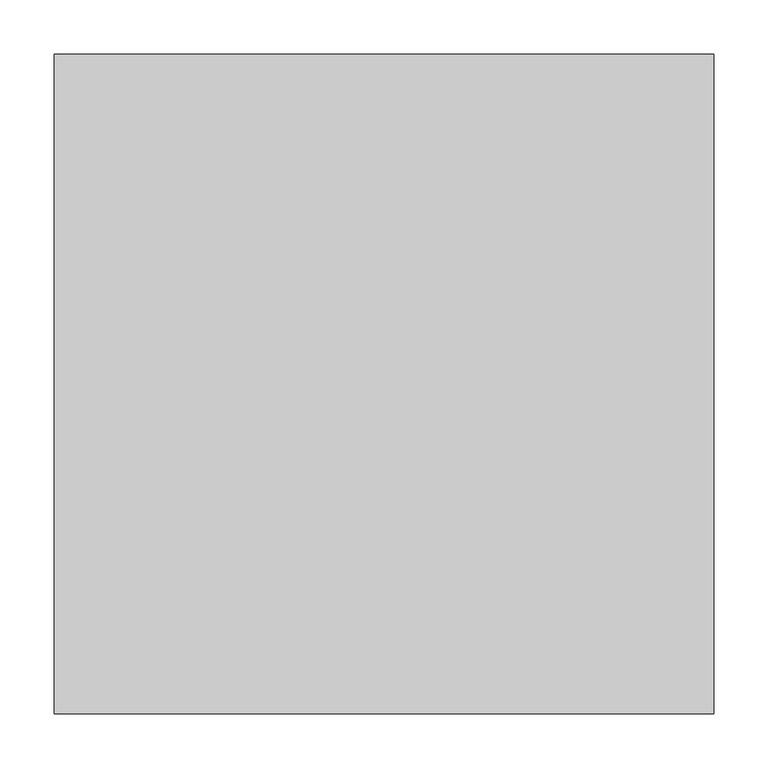
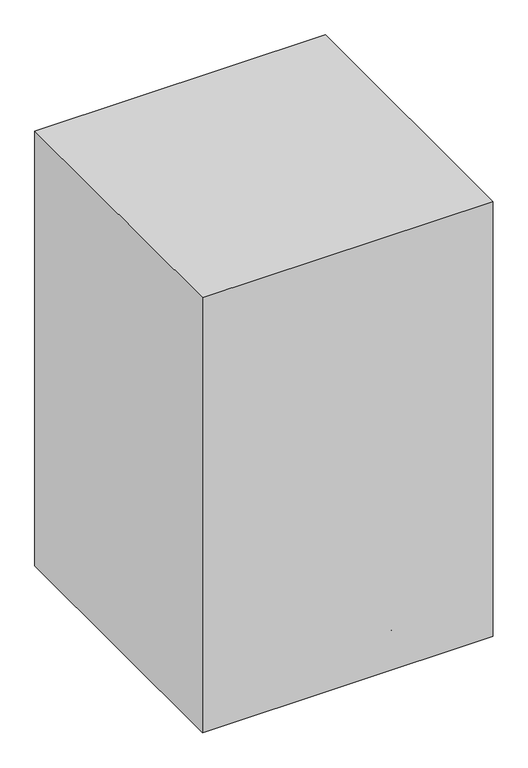
"""IFC4 building model written with IfcOpenShell, lengths in millimetres: proxy geometry."""

from ifc_helpers import new_model, si_unit, point, frame, frame_2d, origin, origin_with_axes, origin_2d, place, context, project, spatial, polyline, circle_curve, trimmed, segment, composite_curve, outline, extrude, source, transform, mapped, element, save


def specialty_equipment_6f838b8f(model_context):
    return source(origin(), model_context, "Body", "SweptSolid", [
        extrude(outline(composite_curve([segment(trimmed(circle_curve(frame_2d((0.0, -25.7612183)), 25.7612183), [point((0.0, -51.5224365))], [point((0.0, 0.0))], False, "CARTESIAN"), True, "CONTINUOUS"), segment(trimmed(circle_curve(frame_2d((0.0, -25.7612183)), 25.7612183), [point((0.0, 0.0))], [point((0.0, -51.5224365))], False, "CARTESIAN"), True, "CONTINUOUS")], self_intersect=False)), frame((203.8559823, 49.544861, 25.7612183), z_axis=(-0.3090169943748919, 0.9510565162951716, 0.0), x_axis=(0.0, 0.0, -1.0)), (0.0, 0.0, 1.0), 31.75),
        extrude(outline(composite_curve([segment(polyline([(-57.1058784, 0.0), (-0.678315, 0.0)]), True, "CONTINUOUS"), segment(trimmed(circle_curve(frame_2d((-28.8920968, 0.0)), 28.2137817), [point((-0.678315, 0.0))], [point((-57.1058784, 0.0))], False, "CARTESIAN"), True, "CONTINUOUS")], self_intersect=False)), frame((256.8155026, 63.4140597, 25.7612183), z_axis=(-0.30901699437489183, 0.9510565162951716, 0.0), x_axis=(0.9510565162951716, 0.30901699437489183, 0.0)), (0.0, 0.0, 1.0), 38.1),
        extrude(outline(composite_curve([segment(trimmed(circle_curve(frame_2d((223.4509477, 72.6028121)), 3.5091751), [point((222.3665529, 75.940236))], [point((224.5353424, 69.2653883))], False, "CARTESIAN"), True, "CONTINUOUS"), segment(trimmed(circle_curve(frame_2d((223.4509477, 72.6028121)), 3.5091751), [point((224.5353424, 69.2653883))], [point((222.3665529, 75.940236))], False, "CARTESIAN"), True, "CONTINUOUS")], self_intersect=False)), frame((0.0, 0.0, 53.975), z_axis=(0.0, 0.0, 1.0), x_axis=(1.0, 0.0, 0.0)), (0.0, 0.0, 1.0), 13.49375),
        extrude(outline(polyline([(230.0293313, 68.0638809), (25.3978935, 1.5750963), (21.4736172, 13.6527769), (226.105055, 80.1415615), (230.0293313, 68.0638809)])), frame((0.0, 0.0, 67.46875), z_axis=(0.0, 0.0, 1.0), x_axis=(1.0, 0.0, 0.0)), (0.0, 0.0, 1.0), 50.8),
        extrude(outline(composite_curve([segment(trimmed(circle_curve(frame_2d((0.0, -25.7612182)), 25.7612183), [point((0.0, -51.5224365))], [point((0.0, 0.0))], False, "CARTESIAN"), True, "CONTINUOUS"), segment(trimmed(circle_curve(frame_2d((0.0, -25.7612182)), 25.7612183), [point((0.0, 0.0))], [point((0.0, -51.5224365))], False, "CARTESIAN"), True, "CONTINUOUS")], self_intersect=False)), frame((110.1149259, -178.5683563, 25.7612183), z_axis=(0.8090169943749846, 0.5877852522924221, 0.0), x_axis=(0.0, 0.0, -1.0)), (0.0, 0.0, 1.0), 31.75),
        extrude(outline(composite_curve([segment(polyline([(-57.1058785, 0.0), (-0.6783149, 0.0)]), True, "CONTINUOUS"), segment(trimmed(circle_curve(frame_2d((-28.8920966, 0.0)), 28.2137817), [point((-0.6783149, 0.0))], [point((-57.1058785, 0.0))], False, "CARTESIAN"), True, "CONTINUOUS")], self_intersect=False)), frame((139.6707094, -224.6500351, 25.7612183), z_axis=(0.8090169943749845, 0.5877852522924222, 0.0), x_axis=(0.5877852522924222, -0.8090169943749845, 0.0)), (0.0, 0.0, 1.0), 38.1),
        extrude(outline(composite_curve([segment(trimmed(circle_curve(frame_2d((138.0995178, -190.0789771)), 3.5091751), [point((140.9385001, -188.0163357))], [point((135.2605355, -192.1416185))], False, "CARTESIAN"), True, "CONTINUOUS"), segment(trimmed(circle_curve(frame_2d((138.0995178, -190.0789771)), 3.5091751), [point((135.2605355, -192.1416185))], [point((140.9385001, -188.0163357))], False, "CARTESIAN"), True, "CONTINUOUS")], self_intersect=False)), frame((0.0, 0.0, 53.975), z_axis=(0.0, 0.0, 1.0), x_axis=(1.0, 0.0, 0.0)), (0.0, 0.0, 1.0), 13.49375),
        extrude(outline(polyline([(135.81557, -197.7379985), (9.3463863, -23.6681006), (19.620275, -16.2036835), (146.0894588, -190.2735815), (135.81557, -197.7379985)])), frame((0.0, 0.0, 67.46875), z_axis=(0.0, 0.0, 1.0), x_axis=(1.0, 0.0, 0.0)), (0.0, 0.0, 1.0), 50.8),
        extrude(outline(composite_curve([segment(trimmed(circle_curve(frame_2d((0.0, -25.7612182)), 25.7612183), [point((0.0, -51.5224365))], [point((0.0, 0.0))], False, "CARTESIAN"), True, "CONTINUOUS"), segment(trimmed(circle_curve(frame_2d((0.0, -25.7612182)), 25.7612183), [point((0.0, 0.0))], [point((0.0, -51.5224365))], False, "CARTESIAN"), True, "CONTINUOUS")], self_intersect=False)), frame((-110.1149259, -178.5683563, 25.7612183), z_axis=(-0.8090169943749151, 0.5877852522925178, 0.0), x_axis=(0.0, 0.0, 1.0)), (0.0, 0.0, 1.0), 31.75),
        extrude(outline(composite_curve([segment(trimmed(circle_curve(frame_2d((28.8920966, 0.0)), 28.2137817), [point((57.1058785, 0.0))], [point((0.6783149, 0.0))], False, "CARTESIAN"), True, "CONTINUOUS"), segment(polyline([(0.6783149, 0.0), (57.1058785, 0.0)]), True, "CONTINUOUS")], self_intersect=False)), frame((-139.6707094, -224.6500351, 25.7612183), z_axis=(-0.809016994374915, 0.5877852522925177, 0.0), x_axis=(0.5877852522925177, 0.809016994374915, 0.0)), (0.0, 0.0, 1.0), 38.1),
        extrude(outline(composite_curve([segment(trimmed(circle_curve(frame_2d((-138.1007518, -190.0780805)), 3.5091751), [point((-135.2617695, -192.1407219))], [point((-140.9397341, -188.0154391))], False, "CARTESIAN"), True, "CONTINUOUS"), segment(trimmed(circle_curve(frame_2d((-138.1007518, -190.0780805)), 3.5091751), [point((-140.9397341, -188.0154391))], [point((-135.2617695, -192.1407219))], False, "CARTESIAN"), True, "CONTINUOUS")], self_intersect=False)), frame((0.0, 0.0, 53.975), z_axis=(0.0, 0.0, 1.0), x_axis=(1.0, 0.0, 0.0)), (0.0, 0.0, 1.0), 13.49375),
        extrude(outline(polyline([(-146.0906928, -190.2726849), (-19.6215091, -16.2027869), (-9.3476203, -23.667204), (-135.8168041, -197.737102), (-146.0906928, -190.2726849)])), frame((0.0, 0.0, 67.46875), z_axis=(0.0, 0.0, 1.0), x_axis=(1.0, 0.0, 0.0)), (0.0, 0.0, 1.0), 50.8),
        extrude(outline(composite_curve([segment(trimmed(circle_curve(frame_2d((0.0, -25.7612183)), 25.7612183), [point((0.0, -51.5224365))], [point((0.0, 0.0))], False, "CARTESIAN"), True, "CONTINUOUS"), segment(trimmed(circle_curve(frame_2d((0.0, -25.7612183)), 25.7612183), [point((0.0, 0.0))], [point((0.0, -51.5224365))], False, "CARTESIAN"), True, "CONTINUOUS")], self_intersect=False)), frame((-203.8559823, 49.544861, 25.7612183), z_axis=(0.3090169943749793, 0.9510565162951433, 0.0), x_axis=(0.0, 0.0, 1.0)), (0.0, 0.0, 1.0), 31.75),
        extrude(outline(composite_curve([segment(trimmed(circle_curve(frame_2d((28.8920968, 0.0)), 28.2137817), [point((57.1058784, 0.0))], [point((0.678315, 0.0))], False, "CARTESIAN"), True, "CONTINUOUS"), segment(polyline([(0.678315, 0.0), (57.1058784, 0.0)]), True, "CONTINUOUS")], self_intersect=False)), frame((-256.8155026, 63.4140597, 25.7612183), z_axis=(0.3090169943749793, 0.9510565162951433, 0.0), x_axis=(0.9510565162951433, -0.3090169943749793, 0.0)), (0.0, 0.0, 1.0), 38.1),
        extrude(outline(composite_curve([segment(trimmed(circle_curve(frame_2d((-223.4504763, 72.6042628)), 3.5091751), [point((-224.5348711, 69.266839))], [point((-222.3660816, 75.9416867))], False, "CARTESIAN"), True, "CONTINUOUS"), segment(trimmed(circle_curve(frame_2d((-223.4504763, 72.6042628)), 3.5091751), [point((-222.3660816, 75.9416867))], [point((-224.5348711, 69.266839))], False, "CARTESIAN"), True, "CONTINUOUS")], self_intersect=False)), frame((0.0, 0.0, 53.975), z_axis=(0.0, 0.0, 1.0), x_axis=(1.0, 0.0, 0.0)), (0.0, 0.0, 1.0), 13.49375),
        extrude(outline(polyline([(-226.1045836, 80.1430121), (-21.4731458, 13.6542275), (-25.3974221, 1.576547), (-230.0288599, 68.0653316), (-226.1045836, 80.1430121)])), frame((0.0, 0.0, 67.46875), z_axis=(0.0, 0.0, 1.0), x_axis=(1.0, 0.0, 0.0)), (0.0, 0.0, 1.0), 50.8),
        extrude(outline(composite_curve([segment(trimmed(circle_curve(frame_2d((234.9499827, 25.7612183)), 25.7612183), [point((260.7112009, 25.7612183))], [point((209.1887644, 25.7612183))], False, "CARTESIAN"), True, "CONTINUOUS"), segment(trimmed(circle_curve(frame_2d((234.9499827, 25.7612183)), 25.7612183), [point((209.1887644, 25.7612183))], [point((260.7112009, 25.7612183))], False, "CARTESIAN"), True, "CONTINUOUS")], self_intersect=False)), frame((-15.875, 0.0, 0.0), z_axis=(1.0, 0.0, 0.0), x_axis=(0.0, 1.0, 0.0)), (0.0, 0.0, 1.0), 31.75),
        extrude(outline(composite_curve([segment(trimmed(circle_curve(frame_2d((234.9499827, 25.7612183)), 28.2137817), [point((206.7362009, 25.7612183))], [point((263.1637644, 25.7612183))], False, "CARTESIAN"), True, "CONTINUOUS"), segment(polyline([(263.1637644, 25.7612183), (206.7362009, 25.7612183)]), True, "CONTINUOUS")], self_intersect=False)), frame((-19.05, 0.0, 0.0), z_axis=(1.0, 0.0, 0.0), x_axis=(0.0, 1.0, 0.0)), (0.0, 0.0, 1.0), 38.1),
        extrude(outline(composite_curve([segment(trimmed(circle_curve(frame_2d((0.0007627, 234.9499827)), 3.5091751), [point((-3.5084124, 234.9499827))], [point((3.5099378, 234.9499827))], False, "CARTESIAN"), True, "CONTINUOUS"), segment(trimmed(circle_curve(frame_2d((0.0007627, 234.9499827)), 3.5091751), [point((3.5099378, 234.9499827))], [point((-3.5084124, 234.9499827))], False, "CARTESIAN"), True, "CONTINUOUS")], self_intersect=False)), frame((0.0, 0.0, 53.975), z_axis=(0.0, 0.0, 1.0), x_axis=(1.0, 0.0, 0.0)), (0.0, 0.0, 1.0), 13.49375),
        extrude(outline(polyline([(6.3503751, 239.8037904), (6.3503751, 24.6415636), (-6.3488498, 24.6415636), (-6.3488498, 239.8037904), (6.3503751, 239.8037904)])), frame((0.0, 0.0, 67.46875), z_axis=(0.0, 0.0, 1.0), x_axis=(1.0, 0.0, 0.0)), (0.0, 0.0, 1.0), 50.8),
        extrude(outline(composite_curve([segment(trimmed(circle_curve(origin_2d(), 25.4466483), [point((-25.4466483, 0.0))], [point((25.4466483, 0.0))], False, "CARTESIAN"), True, "CONTINUOUS"), segment(trimmed(circle_curve(origin_2d(), 25.4466483), [point((25.4466483, 0.0))], [point((-25.4466483, 0.0))], False, "CARTESIAN"), True, "CONTINUOUS")], self_intersect=False)), frame((0.0, 0.0, 67.46875), z_axis=(0.0, 0.0, 1.0), x_axis=(1.0, 0.0, 0.0)), (0.0, 0.0, 1.0), 542.13125),
        extrude(outline(composite_curve([segment(trimmed(circle_curve(origin_2d(), 254.0), [point((-254.0, 0.0))], [point((254.0, 0.0))], False, "CARTESIAN"), True, "CONTINUOUS"), segment(trimmed(circle_curve(origin_2d(), 254.0), [point((254.0, 0.0))], [point((-254.0, 0.0))], False, "CARTESIAN"), True, "CONTINUOUS")], self_intersect=False)), frame((0.0, 0.0, 609.6), z_axis=(0.0, 0.0, 1.0), x_axis=(1.0, 0.0, 0.0)), (0.0, 0.0, 1.0), 50.8),
        extrude(outline(polyline([(304.8, 304.8), (304.8, -304.8), (-304.8, -304.8), (-304.8, 304.8), (304.8, 304.8)])), origin_with_axes(), (0.0, 0.0, 1.0), 965.2),
    ])


if __name__ == "__main__":
    model = new_model("IFC4")
    model_context = context("Model", 3, world=origin())
    ifc_project = project(units=[si_unit("LENGTHUNIT", "METRE", prefix="MILLI")], contexts=[model_context])
    site = spatial("IfcSite", under=ifc_project)
    building = spatial("IfcBuilding", under=site)
    placement = place(None, origin())
    specialty_equipment_shape = specialty_equipment_6f838b8f(model_context)
    element("IfcBuildingElementProxy", 1, Name="Specialty Equipment", at=placement, inside=building, context=model_context, shape_type="MappedRepresentation", body=[
        mapped(specialty_equipment_shape, transform((0.0, 0.0, 0.0), x_axis=(1.0, 0.0, 0.0), y_axis=(0.0, 1.0, 0.0), z_axis=(0.0, 0.0, 1.0))),
    ])
    save(model, "model.ifc")
